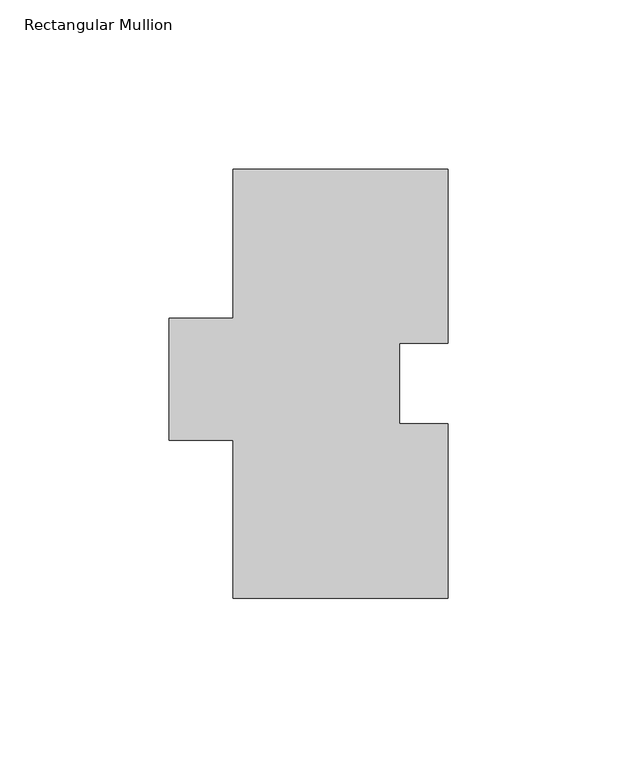
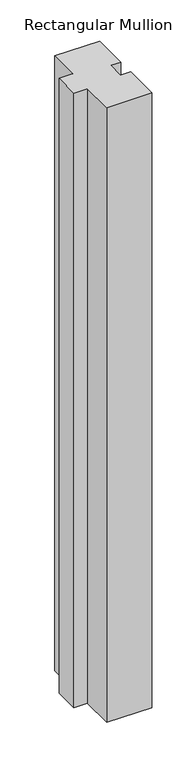
"""IFC4 building model written with IfcOpenShell, lengths in millimetres: member geometry, Rectangular Mullion."""

import ifcopenshell
import ifcopenshell.guid

model = None  # the IFC model being written
_history = None  # IfcOwnerHistory: only IFC2X3 demands one
_inside = {}  # id of a spatial element -> (the spatial element, [elements in it])
_under = {}  # id of a project, library or spatial element -> (it, [spatial elements below it])
_declared = {}  # id of a project -> (the project, [libraries it declares])
_typed = {}  # id of a type object -> (the type object, [elements of that type])
_made_of = {}  # id of a material, layer set ... -> (it, [elements and type objects made of it])


def new_model(schema):
    """Start an empty IFC model of exactly this schema.

    Asked for "IFC4X3", IfcOpenShell would pick the latest addendum, in which some entities
    have other attributes; the version numbers below select the first issue.
    IFC2X3 requires an IfcOwnerHistory on every rooted entity: one is made here for all.
    """
    global model, _history
    if schema == "IFC4X3":
        model = ifcopenshell.file(schema_version=(4, 3, 0, 0))
    else:
        model = ifcopenshell.file(schema=schema)
    _inside.clear()
    _under.clear()
    _declared.clear()
    _typed.clear()
    _made_of.clear()
    _history = None
    if model.schema == "IFC2X3":
        org = make("IfcOrganization", Name="unknown")
        user = make(
            "IfcPersonAndOrganization",
            ThePerson=make("IfcPerson", FamilyName="unknown"),
            TheOrganization=org,
        )
        app = make(
            "IfcApplication",
            ApplicationDeveloper=org,
            Version="unknown",
            ApplicationFullName="unknown",
            ApplicationIdentifier="unknown",
        )
        _history = make(
            "IfcOwnerHistory",
            OwningUser=user,
            OwningApplication=app,
            ChangeAction="ADDED",
            CreationDate=0,
        )
    return model


def make(cls, **values):
    """One entity of the class cls with the attributes given. An attribute that is None is left unset."""
    return model.create_entity(
        cls, **{name: value for name, value in values.items() if value is not None}
    )


def rooted(cls, **values):
    """An entity with a GlobalId (a new one), such as an element, a storey or a relation."""
    return make(cls, GlobalId=ifcopenshell.guid.new(), OwnerHistory=_history, **values)


def si_unit(unit_type, name, prefix=None):
    """IfcSIUnit, for example si_unit("LENGTHUNIT", "METRE", prefix="MILLI")."""
    return make("IfcSIUnit", UnitType=unit_type, Prefix=prefix, Name=name)


def assignment(units):
    """IfcUnitAssignment: the units of a project."""
    return None if units is None else make("IfcUnitAssignment", Units=units)


def point(xyz):
    """IfcCartesianPoint."""
    return None if xyz is None else make("IfcCartesianPoint", Coordinates=xyz)


def direction(xyz):
    """IfcDirection."""
    return None if xyz is None else make("IfcDirection", DirectionRatios=xyz)


def frame(location, z_axis=None, x_axis=None):
    """IfcAxis2Placement3D, a coordinate frame: its origin and axes. An axis left out is left unset."""
    return make(
        "IfcAxis2Placement3D",
        Location=point(location),
        Axis=direction(z_axis),
        RefDirection=direction(x_axis),
    )


def origin():
    """The frame at (0, 0, 0) with its axes left unset."""
    return frame((0.0, 0.0, 0.0))


def place(relative_to, where):
    """IfcLocalPlacement: puts the frame where relative to a parent placement (None: the world)."""
    return make(
        "IfcLocalPlacement", PlacementRelTo=relative_to, RelativePlacement=where
    )


def context(
    kind, dimensions, precision=None, world=None, true_north=None, identifier=None
):
    """IfcGeometricRepresentationContext, for example the 3D "Model" context."""
    return make(
        "IfcGeometricRepresentationContext",
        ContextIdentifier=identifier,
        ContextType=kind,
        CoordinateSpaceDimension=dimensions,
        Precision=precision,
        WorldCoordinateSystem=world,
        TrueNorth=true_north,
    )


def project(units=None, contexts=None):
    """IfcProject with its units and contexts."""
    return rooted(
        "IfcProject",
        Name="project",
        RepresentationContexts=contexts,
        UnitsInContext=assignment(units),
    )


def spatial(cls, under=None, at=None, **own):
    """A site, building, storey or space (cls), placed at a placement, below another one or the project."""
    s = rooted(cls, ObjectPlacement=at, **own)
    if under is not None:
        _under.setdefault(under.id(), (under, []))[1].append(s)
    return s


def polyline(points):
    """IfcPolyline through the points."""
    return make("IfcPolyline", Points=[point(p) for p in points])


def outline(outer, holes=None, kind="AREA"):
    """IfcArbitraryClosedProfileDef: a profile drawn as a closed curve; with holes, ...WithVoids."""
    if holes is None:
        return make("IfcArbitraryClosedProfileDef", ProfileType=kind, OuterCurve=outer)
    return make(
        "IfcArbitraryProfileDefWithVoids",
        ProfileType=kind,
        OuterCurve=outer,
        InnerCurves=holes,
    )


def extrude(swept, where, along, depth):
    """IfcExtrudedAreaSolid: the profile swept, set in the frame where, extruded along a direction by depth."""
    return make(
        "IfcExtrudedAreaSolid",
        SweptArea=swept,
        Position=where,
        ExtrudedDirection=direction(along),
        Depth=depth,
    )


def shape(context_of_items, identifier, shape_type, items):
    """IfcShapeRepresentation: the items that make up one representation, for example the "Body"."""
    return make(
        "IfcShapeRepresentation",
        ContextOfItems=context_of_items,
        RepresentationIdentifier=identifier,
        RepresentationType=shape_type,
        Items=items,
    )


def source(mapping_origin, context_of_items, identifier, shape_type, items):
    """IfcRepresentationMap: a shape defined once, which mapped items show again and again."""
    return make(
        "IfcRepresentationMap",
        MappingOrigin=mapping_origin,
        MappedRepresentation=shape(context_of_items, identifier, shape_type, items),
    )


def transform(
    local_origin,
    x_axis=None,
    y_axis=None,
    z_axis=None,
    scale=None,
    scale2=None,
    scale3=None,
    uniform=True,
):
    """IfcCartesianTransformationOperator3D, or its non-uniform kind. x_axis, y_axis, z_axis: its Axis1, 2, 3."""
    if uniform:
        return make(
            "IfcCartesianTransformationOperator3D",
            Axis1=direction(x_axis),
            Axis2=direction(y_axis),
            LocalOrigin=point(local_origin),
            Scale=scale,
            Axis3=direction(z_axis),
        )
    return make(
        "IfcCartesianTransformationOperator3DnonUniform",
        Axis1=direction(x_axis),
        Axis2=direction(y_axis),
        LocalOrigin=point(local_origin),
        Scale=scale,
        Axis3=direction(z_axis),
        Scale2=scale2,
        Scale3=scale3,
    )


def mapped(mapping_source, mapping_target):
    """IfcMappedItem: shows the shape of a source again, moved by a transform."""
    return make(
        "IfcMappedItem", MappingSource=mapping_source, MappingTarget=mapping_target
    )


def made_of(thing, what):
    """Note that an element or type object is made of a material, layer set ...; save() writes the relation."""
    if what is not None:
        _made_of.setdefault(what.id(), (what, []))[1].append(thing)
    return thing


def element(
    cls,
    number,
    at=None,
    inside=None,
    cuts=None,
    type_object=None,
    material=None,
    context=None,
    identifier="Body",
    shape_type=None,
    held_by="IfcProductDefinitionShape",
    body=None,
    shapes=None,
    **own,
):
    """One element of the class cls, such as IfcWall. Its Tag is "e" and its number.

    at: its placement. inside: the storey or other place that contains it. cuts: it is an
    opening in that element (IfcRelVoidsElement). A single representation is given by context,
    identifier, shape_type and body (its items); several are given by shapes. held_by: the class
    of the entity that holds the representations. save() writes the other relations.
    """
    e = rooted(cls, Tag="e%d" % number, ObjectPlacement=at, **own)
    if body is not None:
        shapes = [shape(context, identifier, shape_type, body)]
    if shapes is not None:
        e.Representation = make(held_by, Representations=shapes)
    if inside is not None:
        _inside.setdefault(inside.id(), (inside, []))[1].append(e)
    if cuts is not None:
        rooted(
            "IfcRelVoidsElement", RelatingBuildingElement=cuts, RelatedOpeningElement=e
        )
    if type_object is not None:
        _typed.setdefault(type_object.id(), (type_object, []))[1].append(e)
    return made_of(e, material)


def aggregate(whole, parts):
    """IfcRelAggregates: a whole, such as a stair, and the parts it consists of."""
    return rooted("IfcRelAggregates", RelatingObject=whole, RelatedObjects=parts)


def save(model, path):
    """Write the relations noted so far, then the file.

    IfcRelAggregates (storeys below a building ...), IfcRelContainedInSpatialStructure (elements
    in a storey), IfcRelDefinesByType, IfcRelAssociatesMaterial and IfcRelDeclares: one each for
    every whole, place, type object, material and project.
    """
    for whole, parts in _under.values():
        aggregate(whole, parts)
    for where, things in _inside.values():
        rooted(
            "IfcRelContainedInSpatialStructure",
            RelatedElements=things,
            RelatingStructure=where,
        )
    for kind, things in _typed.values():
        rooted("IfcRelDefinesByType", RelatedObjects=things, RelatingType=kind)
    for what, things in _made_of.values():
        rooted("IfcRelAssociatesMaterial", RelatedObjects=things, RelatingMaterial=what)
    for by, libraries in _declared.values():
        rooted("IfcRelDeclares", RelatingContext=by, RelatedDefinitions=libraries)
    model.write(path)


def rectangular_mullion_8ddea16f(model_context):
    return source(origin(), model_context, "Body", "SweptSolid", [
        extrude(outline(polyline([(17.4622287, 75.3999), (17.4622287, 51.6001), (31.7497287, 51.6001), (31.7497287, 0.0), (-31.7497287, 0.0), (-31.7497287, 46.83125), (-50.8002713, 46.83125), (-50.8002713, 82.9250181), (-31.7502713, 82.9250181), (-31.7502713, 127.0), (31.7502713, 127.0), (31.7502713, 75.3999), (17.4622287, 75.3999)])), frame((0.0, 0.0, -914.4), z_axis=(0.0, 0.0, 1.0), x_axis=(1.0, 0.0, 0.0)), (0.0, 0.0, 1.0), 914.4),
    ])


if __name__ == "__main__":
    model = new_model("IFC4")
    model_context = context("Model", 3, world=origin())
    ifc_project = project(units=[si_unit("LENGTHUNIT", "METRE", prefix="MILLI")], contexts=[model_context])
    site = spatial("IfcSite", under=ifc_project)
    building = spatial("IfcBuilding", under=site)
    placement = place(None, origin())
    rectangular_mullion_shape = rectangular_mullion_8ddea16f(model_context)
    element("IfcMember", 1, ObjectType="Rectangular Mullion", at=placement, inside=building, context=model_context, shape_type="MappedRepresentation", body=[
        mapped(rectangular_mullion_shape, transform((0.0, 0.0, 0.0), x_axis=(1.0, 0.0, 0.0), y_axis=(0.0, 1.0, 0.0), z_axis=(0.0, 0.0, 1.0))),
    ])
    save(model, "model.ifc")
